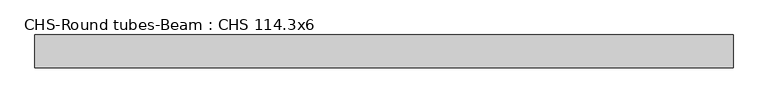
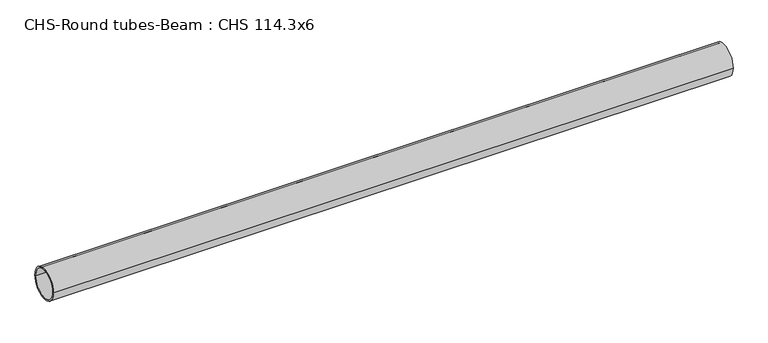
"""IFC4 building model written with IfcOpenShell, lengths in millimetres: beam geometry, CHS-Round tubes-Beam : CHS 114.3x6."""

from ifc_helpers import new_model, si_unit, point, frame, origin, origin_2d, place, context, project, spatial, circle_curve, trimmed, segment, composite_curve, outline, extrude, source, transform, mapped, element, save


def chs_round_tubes_beam_chs_114_3x6_e9de20fe(model_context):
    return source(origin(), model_context, "Body", "SweptSolid", [
        extrude(outline(composite_curve([segment(trimmed(circle_curve(origin_2d(), 57.15), [point((57.15, 0.0))], [point((-57.15, 0.0))], False, "CARTESIAN"), True, "CONTINUOUS"), segment(trimmed(circle_curve(origin_2d(), 57.15), [point((-57.15, 0.0))], [point((57.15, 0.0))], False, "CARTESIAN"), True, "CONTINUOUS")], self_intersect=False), holes=[composite_curve([segment(trimmed(circle_curve(origin_2d(), 51.15), [point((51.15, 0.0))], [point((-51.15, 0.0))], True, "CARTESIAN"), True, "CONTINUOUS"), segment(trimmed(circle_curve(origin_2d(), 51.15), [point((-51.15, 0.0))], [point((51.15, 0.0))], True, "CARTESIAN"), True, "CONTINUOUS")], self_intersect=False)]), frame((-1177.0057866, 0.0, 0.0), z_axis=(1.0, 0.0, 0.0), x_axis=(0.0, 1.0, 0.0)), (0.0, 0.0, 1.0), 2432.5015268),
    ])


if __name__ == "__main__":
    model = new_model("IFC4")
    model_context = context("Model", 3, world=origin())
    ifc_project = project(units=[si_unit("LENGTHUNIT", "METRE", prefix="MILLI")], contexts=[model_context])
    site = spatial("IfcSite", under=ifc_project)
    building = spatial("IfcBuilding", under=site)
    placement = place(None, origin())
    chs_round_tubes_beam_chs_114_3x6_shape = chs_round_tubes_beam_chs_114_3x6_e9de20fe(model_context)
    element("IfcBeam", 1, ObjectType="CHS-Round tubes-Beam : CHS 114.3x6", at=placement, inside=building, context=model_context, shape_type="MappedRepresentation", body=[
        mapped(chs_round_tubes_beam_chs_114_3x6_shape, transform((0.0, 0.0, 0.0), x_axis=(1.0, 0.0, 0.0), y_axis=(0.0, 1.0, 0.0), z_axis=(0.0, 0.0, 1.0))),
    ])
    save(model, "model.ifc")
